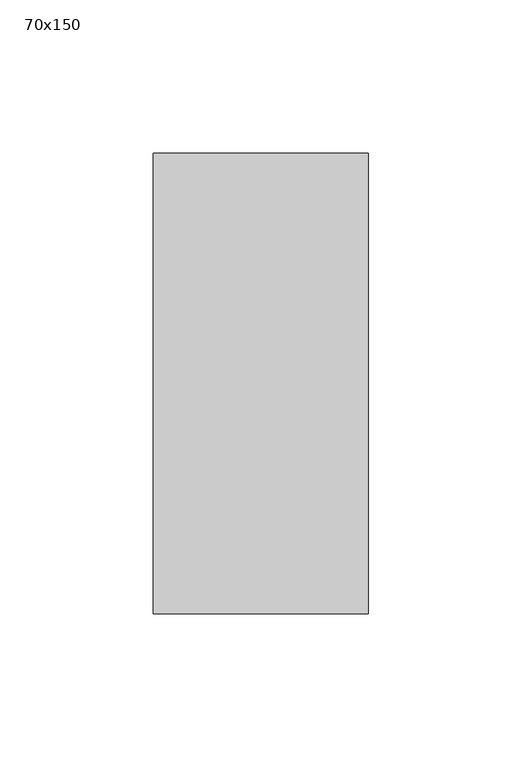
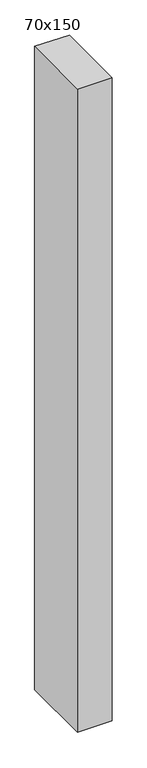
"""IFC4 building model written with IfcOpenShell, lengths in millimetres: member geometry, 70x150."""

import ifcopenshell
import ifcopenshell.guid

model = None  # the IFC model being written
_history = None  # IfcOwnerHistory: only IFC2X3 demands one
_inside = {}  # id of a spatial element -> (the spatial element, [elements in it])
_under = {}  # id of a project, library or spatial element -> (it, [spatial elements below it])
_declared = {}  # id of a project -> (the project, [libraries it declares])
_typed = {}  # id of a type object -> (the type object, [elements of that type])
_made_of = {}  # id of a material, layer set ... -> (it, [elements and type objects made of it])


def new_model(schema):
    """Start an empty IFC model of exactly this schema.

    Asked for "IFC4X3", IfcOpenShell would pick the latest addendum, in which some entities
    have other attributes; the version numbers below select the first issue.
    IFC2X3 requires an IfcOwnerHistory on every rooted entity: one is made here for all.
    """
    global model, _history
    if schema == "IFC4X3":
        model = ifcopenshell.file(schema_version=(4, 3, 0, 0))
    else:
        model = ifcopenshell.file(schema=schema)
    _inside.clear()
    _under.clear()
    _declared.clear()
    _typed.clear()
    _made_of.clear()
    _history = None
    if model.schema == "IFC2X3":
        org = make("IfcOrganization", Name="unknown")
        user = make(
            "IfcPersonAndOrganization",
            ThePerson=make("IfcPerson", FamilyName="unknown"),
            TheOrganization=org,
        )
        app = make(
            "IfcApplication",
            ApplicationDeveloper=org,
            Version="unknown",
            ApplicationFullName="unknown",
            ApplicationIdentifier="unknown",
        )
        _history = make(
            "IfcOwnerHistory",
            OwningUser=user,
            OwningApplication=app,
            ChangeAction="ADDED",
            CreationDate=0,
        )
    return model


def make(cls, **values):
    """One entity of the class cls with the attributes given. An attribute that is None is left unset."""
    return model.create_entity(
        cls, **{name: value for name, value in values.items() if value is not None}
    )


def rooted(cls, **values):
    """An entity with a GlobalId (a new one), such as an element, a storey or a relation."""
    return make(cls, GlobalId=ifcopenshell.guid.new(), OwnerHistory=_history, **values)


def si_unit(unit_type, name, prefix=None):
    """IfcSIUnit, for example si_unit("LENGTHUNIT", "METRE", prefix="MILLI")."""
    return make("IfcSIUnit", UnitType=unit_type, Prefix=prefix, Name=name)


def assignment(units):
    """IfcUnitAssignment: the units of a project."""
    return None if units is None else make("IfcUnitAssignment", Units=units)


def point(xyz):
    """IfcCartesianPoint."""
    return None if xyz is None else make("IfcCartesianPoint", Coordinates=xyz)


def direction(xyz):
    """IfcDirection."""
    return None if xyz is None else make("IfcDirection", DirectionRatios=xyz)


def frame(location, z_axis=None, x_axis=None):
    """IfcAxis2Placement3D, a coordinate frame: its origin and axes. An axis left out is left unset."""
    return make(
        "IfcAxis2Placement3D",
        Location=point(location),
        Axis=direction(z_axis),
        RefDirection=direction(x_axis),
    )


def origin():
    """The frame at (0, 0, 0) with its axes left unset."""
    return frame((0.0, 0.0, 0.0))


def place(relative_to, where):
    """IfcLocalPlacement: puts the frame where relative to a parent placement (None: the world)."""
    return make(
        "IfcLocalPlacement", PlacementRelTo=relative_to, RelativePlacement=where
    )


def context(
    kind, dimensions, precision=None, world=None, true_north=None, identifier=None
):
    """IfcGeometricRepresentationContext, for example the 3D "Model" context."""
    return make(
        "IfcGeometricRepresentationContext",
        ContextIdentifier=identifier,
        ContextType=kind,
        CoordinateSpaceDimension=dimensions,
        Precision=precision,
        WorldCoordinateSystem=world,
        TrueNorth=true_north,
    )


def project(units=None, contexts=None):
    """IfcProject with its units and contexts."""
    return rooted(
        "IfcProject",
        Name="project",
        RepresentationContexts=contexts,
        UnitsInContext=assignment(units),
    )


def spatial(cls, under=None, at=None, **own):
    """A site, building, storey or space (cls), placed at a placement, below another one or the project."""
    s = rooted(cls, ObjectPlacement=at, **own)
    if under is not None:
        _under.setdefault(under.id(), (under, []))[1].append(s)
    return s


def polyline(points):
    """IfcPolyline through the points."""
    return make("IfcPolyline", Points=[point(p) for p in points])


def outline(outer, holes=None, kind="AREA"):
    """IfcArbitraryClosedProfileDef: a profile drawn as a closed curve; with holes, ...WithVoids."""
    if holes is None:
        return make("IfcArbitraryClosedProfileDef", ProfileType=kind, OuterCurve=outer)
    return make(
        "IfcArbitraryProfileDefWithVoids",
        ProfileType=kind,
        OuterCurve=outer,
        InnerCurves=holes,
    )


def extrude(swept, where, along, depth):
    """IfcExtrudedAreaSolid: the profile swept, set in the frame where, extruded along a direction by depth."""
    return make(
        "IfcExtrudedAreaSolid",
        SweptArea=swept,
        Position=where,
        ExtrudedDirection=direction(along),
        Depth=depth,
    )


def shape(context_of_items, identifier, shape_type, items):
    """IfcShapeRepresentation: the items that make up one representation, for example the "Body"."""
    return make(
        "IfcShapeRepresentation",
        ContextOfItems=context_of_items,
        RepresentationIdentifier=identifier,
        RepresentationType=shape_type,
        Items=items,
    )


def source(mapping_origin, context_of_items, identifier, shape_type, items):
    """IfcRepresentationMap: a shape defined once, which mapped items show again and again."""
    return make(
        "IfcRepresentationMap",
        MappingOrigin=mapping_origin,
        MappedRepresentation=shape(context_of_items, identifier, shape_type, items),
    )


def transform(
    local_origin,
    x_axis=None,
    y_axis=None,
    z_axis=None,
    scale=None,
    scale2=None,
    scale3=None,
    uniform=True,
):
    """IfcCartesianTransformationOperator3D, or its non-uniform kind. x_axis, y_axis, z_axis: its Axis1, 2, 3."""
    if uniform:
        return make(
            "IfcCartesianTransformationOperator3D",
            Axis1=direction(x_axis),
            Axis2=direction(y_axis),
            LocalOrigin=point(local_origin),
            Scale=scale,
            Axis3=direction(z_axis),
        )
    return make(
        "IfcCartesianTransformationOperator3DnonUniform",
        Axis1=direction(x_axis),
        Axis2=direction(y_axis),
        LocalOrigin=point(local_origin),
        Scale=scale,
        Axis3=direction(z_axis),
        Scale2=scale2,
        Scale3=scale3,
    )


def mapped(mapping_source, mapping_target):
    """IfcMappedItem: shows the shape of a source again, moved by a transform."""
    return make(
        "IfcMappedItem", MappingSource=mapping_source, MappingTarget=mapping_target
    )


def made_of(thing, what):
    """Note that an element or type object is made of a material, layer set ...; save() writes the relation."""
    if what is not None:
        _made_of.setdefault(what.id(), (what, []))[1].append(thing)
    return thing


def element(
    cls,
    number,
    at=None,
    inside=None,
    cuts=None,
    type_object=None,
    material=None,
    context=None,
    identifier="Body",
    shape_type=None,
    held_by="IfcProductDefinitionShape",
    body=None,
    shapes=None,
    **own,
):
    """One element of the class cls, such as IfcWall. Its Tag is "e" and its number.

    at: its placement. inside: the storey or other place that contains it. cuts: it is an
    opening in that element (IfcRelVoidsElement). A single representation is given by context,
    identifier, shape_type and body (its items); several are given by shapes. held_by: the class
    of the entity that holds the representations. save() writes the other relations.
    """
    e = rooted(cls, Tag="e%d" % number, ObjectPlacement=at, **own)
    if body is not None:
        shapes = [shape(context, identifier, shape_type, body)]
    if shapes is not None:
        e.Representation = make(held_by, Representations=shapes)
    if inside is not None:
        _inside.setdefault(inside.id(), (inside, []))[1].append(e)
    if cuts is not None:
        rooted(
            "IfcRelVoidsElement", RelatingBuildingElement=cuts, RelatedOpeningElement=e
        )
    if type_object is not None:
        _typed.setdefault(type_object.id(), (type_object, []))[1].append(e)
    return made_of(e, material)


def aggregate(whole, parts):
    """IfcRelAggregates: a whole, such as a stair, and the parts it consists of."""
    return rooted("IfcRelAggregates", RelatingObject=whole, RelatedObjects=parts)


def save(model, path):
    """Write the relations noted so far, then the file.

    IfcRelAggregates (storeys below a building ...), IfcRelContainedInSpatialStructure (elements
    in a storey), IfcRelDefinesByType, IfcRelAssociatesMaterial and IfcRelDeclares: one each for
    every whole, place, type object, material and project.
    """
    for whole, parts in _under.values():
        aggregate(whole, parts)
    for where, things in _inside.values():
        rooted(
            "IfcRelContainedInSpatialStructure",
            RelatedElements=things,
            RelatingStructure=where,
        )
    for kind, things in _typed.values():
        rooted("IfcRelDefinesByType", RelatedObjects=things, RelatingType=kind)
    for what, things in _made_of.values():
        rooted("IfcRelAssociatesMaterial", RelatedObjects=things, RelatingMaterial=what)
    for by, libraries in _declared.values():
        rooted("IfcRelDeclares", RelatingContext=by, RelatedDefinitions=libraries)
    model.write(path)


def member_70x150_eea45503(model_context):
    return source(origin(), model_context, "Body", "SweptSolid", [
        extrude(outline(polyline([(-75.0, 0.1148654), (75.0, -0.1148654), (75.0, -1374.5594116), (-75.0, -1373.4451002), (-75.0, 0.1148654)])), frame((-35.0, 0.0, 0.0), z_axis=(1.0, 0.0, 0.0), x_axis=(0.0, 1.0, 0.0)), (0.0, 0.0, 1.0), 70.0),
    ])


if __name__ == "__main__":
    model = new_model("IFC4")
    model_context = context("Model", 3, world=origin())
    ifc_project = project(units=[si_unit("LENGTHUNIT", "METRE", prefix="MILLI")], contexts=[model_context])
    site = spatial("IfcSite", under=ifc_project)
    building = spatial("IfcBuilding", under=site)
    placement = place(None, origin())
    member_70x150_shape = member_70x150_eea45503(model_context)
    element("IfcMember", 1, ObjectType="70x150", at=placement, inside=building, context=model_context, shape_type="MappedRepresentation", body=[
        mapped(member_70x150_shape, transform((0.0, 0.0, 0.0), x_axis=(1.0, 0.0, 0.0), y_axis=(0.0, 1.0, 0.0), z_axis=(0.0, 0.0, 1.0))),
    ])
    save(model, "model.ifc")
